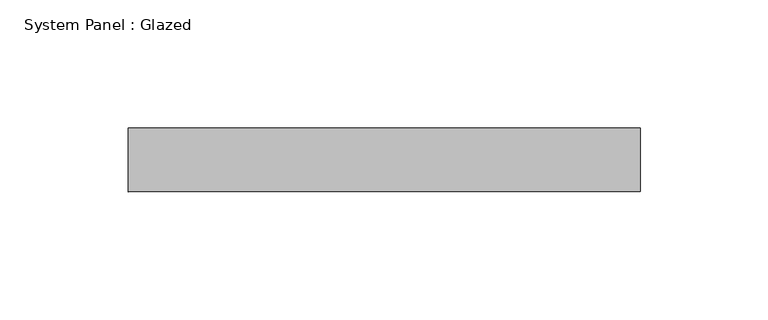
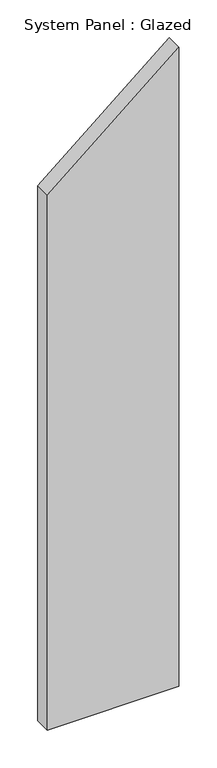
"""IFC4 building model written with IfcOpenShell, lengths in millimetres: plate geometry, System Panel : Glazed."""

import ifcopenshell
import ifcopenshell.guid

model = None  # the IFC model being written
_history = None  # IfcOwnerHistory: only IFC2X3 demands one
_inside = {}  # id of a spatial element -> (the spatial element, [elements in it])
_under = {}  # id of a project, library or spatial element -> (it, [spatial elements below it])
_declared = {}  # id of a project -> (the project, [libraries it declares])
_typed = {}  # id of a type object -> (the type object, [elements of that type])
_made_of = {}  # id of a material, layer set ... -> (it, [elements and type objects made of it])


def new_model(schema):
    """Start an empty IFC model of exactly this schema.

    Asked for "IFC4X3", IfcOpenShell would pick the latest addendum, in which some entities
    have other attributes; the version numbers below select the first issue.
    IFC2X3 requires an IfcOwnerHistory on every rooted entity: one is made here for all.
    """
    global model, _history
    if schema == "IFC4X3":
        model = ifcopenshell.file(schema_version=(4, 3, 0, 0))
    else:
        model = ifcopenshell.file(schema=schema)
    _inside.clear()
    _under.clear()
    _declared.clear()
    _typed.clear()
    _made_of.clear()
    _history = None
    if model.schema == "IFC2X3":
        org = make("IfcOrganization", Name="unknown")
        user = make(
            "IfcPersonAndOrganization",
            ThePerson=make("IfcPerson", FamilyName="unknown"),
            TheOrganization=org,
        )
        app = make(
            "IfcApplication",
            ApplicationDeveloper=org,
            Version="unknown",
            ApplicationFullName="unknown",
            ApplicationIdentifier="unknown",
        )
        _history = make(
            "IfcOwnerHistory",
            OwningUser=user,
            OwningApplication=app,
            ChangeAction="ADDED",
            CreationDate=0,
        )
    return model


def make(cls, **values):
    """One entity of the class cls with the attributes given. An attribute that is None is left unset."""
    return model.create_entity(
        cls, **{name: value for name, value in values.items() if value is not None}
    )


def rooted(cls, **values):
    """An entity with a GlobalId (a new one), such as an element, a storey or a relation."""
    return make(cls, GlobalId=ifcopenshell.guid.new(), OwnerHistory=_history, **values)


def si_unit(unit_type, name, prefix=None):
    """IfcSIUnit, for example si_unit("LENGTHUNIT", "METRE", prefix="MILLI")."""
    return make("IfcSIUnit", UnitType=unit_type, Prefix=prefix, Name=name)


def assignment(units):
    """IfcUnitAssignment: the units of a project."""
    return None if units is None else make("IfcUnitAssignment", Units=units)


def point(xyz):
    """IfcCartesianPoint."""
    return None if xyz is None else make("IfcCartesianPoint", Coordinates=xyz)


def direction(xyz):
    """IfcDirection."""
    return None if xyz is None else make("IfcDirection", DirectionRatios=xyz)


def frame(location, z_axis=None, x_axis=None):
    """IfcAxis2Placement3D, a coordinate frame: its origin and axes. An axis left out is left unset."""
    return make(
        "IfcAxis2Placement3D",
        Location=point(location),
        Axis=direction(z_axis),
        RefDirection=direction(x_axis),
    )


def origin():
    """The frame at (0, 0, 0) with its axes left unset."""
    return frame((0.0, 0.0, 0.0))


def place(relative_to, where):
    """IfcLocalPlacement: puts the frame where relative to a parent placement (None: the world)."""
    return make(
        "IfcLocalPlacement", PlacementRelTo=relative_to, RelativePlacement=where
    )


def context(
    kind, dimensions, precision=None, world=None, true_north=None, identifier=None
):
    """IfcGeometricRepresentationContext, for example the 3D "Model" context."""
    return make(
        "IfcGeometricRepresentationContext",
        ContextIdentifier=identifier,
        ContextType=kind,
        CoordinateSpaceDimension=dimensions,
        Precision=precision,
        WorldCoordinateSystem=world,
        TrueNorth=true_north,
    )


def project(units=None, contexts=None):
    """IfcProject with its units and contexts."""
    return rooted(
        "IfcProject",
        Name="project",
        RepresentationContexts=contexts,
        UnitsInContext=assignment(units),
    )


def spatial(cls, under=None, at=None, **own):
    """A site, building, storey or space (cls), placed at a placement, below another one or the project."""
    s = rooted(cls, ObjectPlacement=at, **own)
    if under is not None:
        _under.setdefault(under.id(), (under, []))[1].append(s)
    return s


def polyline(points):
    """IfcPolyline through the points."""
    return make("IfcPolyline", Points=[point(p) for p in points])


def outline(outer, holes=None, kind="AREA"):
    """IfcArbitraryClosedProfileDef: a profile drawn as a closed curve; with holes, ...WithVoids."""
    if holes is None:
        return make("IfcArbitraryClosedProfileDef", ProfileType=kind, OuterCurve=outer)
    return make(
        "IfcArbitraryProfileDefWithVoids",
        ProfileType=kind,
        OuterCurve=outer,
        InnerCurves=holes,
    )


def extrude(swept, where, along, depth):
    """IfcExtrudedAreaSolid: the profile swept, set in the frame where, extruded along a direction by depth."""
    return make(
        "IfcExtrudedAreaSolid",
        SweptArea=swept,
        Position=where,
        ExtrudedDirection=direction(along),
        Depth=depth,
    )


def shape(context_of_items, identifier, shape_type, items):
    """IfcShapeRepresentation: the items that make up one representation, for example the "Body"."""
    return make(
        "IfcShapeRepresentation",
        ContextOfItems=context_of_items,
        RepresentationIdentifier=identifier,
        RepresentationType=shape_type,
        Items=items,
    )


def source(mapping_origin, context_of_items, identifier, shape_type, items):
    """IfcRepresentationMap: a shape defined once, which mapped items show again and again."""
    return make(
        "IfcRepresentationMap",
        MappingOrigin=mapping_origin,
        MappedRepresentation=shape(context_of_items, identifier, shape_type, items),
    )


def transform(
    local_origin,
    x_axis=None,
    y_axis=None,
    z_axis=None,
    scale=None,
    scale2=None,
    scale3=None,
    uniform=True,
):
    """IfcCartesianTransformationOperator3D, or its non-uniform kind. x_axis, y_axis, z_axis: its Axis1, 2, 3."""
    if uniform:
        return make(
            "IfcCartesianTransformationOperator3D",
            Axis1=direction(x_axis),
            Axis2=direction(y_axis),
            LocalOrigin=point(local_origin),
            Scale=scale,
            Axis3=direction(z_axis),
        )
    return make(
        "IfcCartesianTransformationOperator3DnonUniform",
        Axis1=direction(x_axis),
        Axis2=direction(y_axis),
        LocalOrigin=point(local_origin),
        Scale=scale,
        Axis3=direction(z_axis),
        Scale2=scale2,
        Scale3=scale3,
    )


def mapped(mapping_source, mapping_target):
    """IfcMappedItem: shows the shape of a source again, moved by a transform."""
    return make(
        "IfcMappedItem", MappingSource=mapping_source, MappingTarget=mapping_target
    )


def made_of(thing, what):
    """Note that an element or type object is made of a material, layer set ...; save() writes the relation."""
    if what is not None:
        _made_of.setdefault(what.id(), (what, []))[1].append(thing)
    return thing


def element(
    cls,
    number,
    at=None,
    inside=None,
    cuts=None,
    type_object=None,
    material=None,
    context=None,
    identifier="Body",
    shape_type=None,
    held_by="IfcProductDefinitionShape",
    body=None,
    shapes=None,
    **own,
):
    """One element of the class cls, such as IfcWall. Its Tag is "e" and its number.

    at: its placement. inside: the storey or other place that contains it. cuts: it is an
    opening in that element (IfcRelVoidsElement). A single representation is given by context,
    identifier, shape_type and body (its items); several are given by shapes. held_by: the class
    of the entity that holds the representations. save() writes the other relations.
    """
    e = rooted(cls, Tag="e%d" % number, ObjectPlacement=at, **own)
    if body is not None:
        shapes = [shape(context, identifier, shape_type, body)]
    if shapes is not None:
        e.Representation = make(held_by, Representations=shapes)
    if inside is not None:
        _inside.setdefault(inside.id(), (inside, []))[1].append(e)
    if cuts is not None:
        rooted(
            "IfcRelVoidsElement", RelatingBuildingElement=cuts, RelatedOpeningElement=e
        )
    if type_object is not None:
        _typed.setdefault(type_object.id(), (type_object, []))[1].append(e)
    return made_of(e, material)


def aggregate(whole, parts):
    """IfcRelAggregates: a whole, such as a stair, and the parts it consists of."""
    return rooted("IfcRelAggregates", RelatingObject=whole, RelatedObjects=parts)


def save(model, path):
    """Write the relations noted so far, then the file.

    IfcRelAggregates (storeys below a building ...), IfcRelContainedInSpatialStructure (elements
    in a storey), IfcRelDefinesByType, IfcRelAssociatesMaterial and IfcRelDeclares: one each for
    every whole, place, type object, material and project.
    """
    for whole, parts in _under.values():
        aggregate(whole, parts)
    for where, things in _inside.values():
        rooted(
            "IfcRelContainedInSpatialStructure",
            RelatedElements=things,
            RelatingStructure=where,
        )
    for kind, things in _typed.values():
        rooted("IfcRelDefinesByType", RelatedObjects=things, RelatingType=kind)
    for what, things in _made_of.values():
        rooted("IfcRelAssociatesMaterial", RelatedObjects=things, RelatingMaterial=what)
    for by, libraries in _declared.values():
        rooted("IfcRelDeclares", RelatingContext=by, RelatedDefinitions=libraries)
    model.write(path)


def system_panel_glazed_b6f95c50(model_context):
    return source(origin(), model_context, "Body", "SweptSolid", [
        extrude(outline(polyline([(0.0, -100.0), (0.0, 100.0), (1027.6782299, 100.0), (859.8583037, -100.0), (0.0, -100.0)])), frame((0.0, 24.5, 0.0), z_axis=(0.0, 1.0, 0.0), x_axis=(0.0, 0.0, 1.0)), (0.0, 0.0, 1.0), 25.0),
    ])


if __name__ == "__main__":
    model = new_model("IFC4")
    model_context = context("Model", 3, world=origin())
    ifc_project = project(units=[si_unit("LENGTHUNIT", "METRE", prefix="MILLI")], contexts=[model_context])
    site = spatial("IfcSite", under=ifc_project)
    building = spatial("IfcBuilding", under=site)
    placement = place(None, origin())
    system_panel_glazed_shape = system_panel_glazed_b6f95c50(model_context)
    element("IfcPlate", 1, ObjectType="System Panel : Glazed", at=placement, inside=building, context=model_context, shape_type="MappedRepresentation", body=[
        mapped(system_panel_glazed_shape, transform((0.0, 0.0, 0.0), x_axis=(1.0, 0.0, 0.0), y_axis=(0.0, 1.0, 0.0), z_axis=(0.0, 0.0, 1.0))),
    ])
    save(model, "model.ifc")
